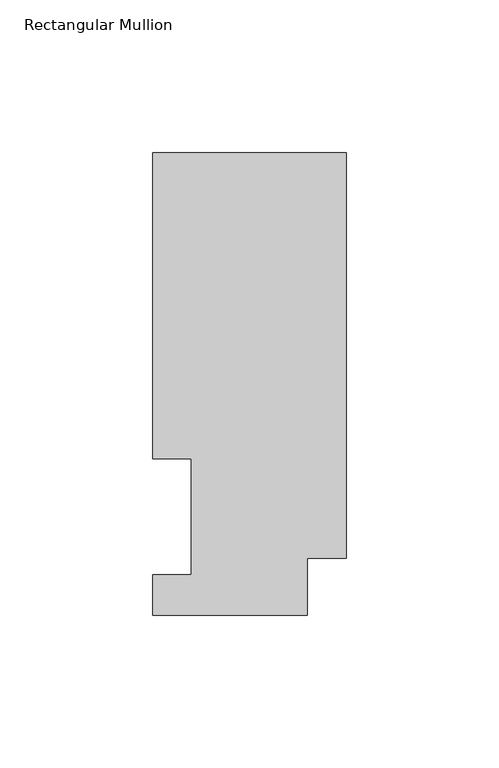
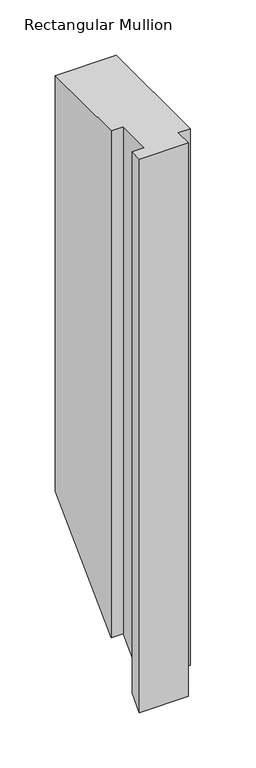
"""IFC4 building model written with IfcOpenShell, lengths in millimetres: member geometry, Rectangular Mullion."""

from ifc_helpers import new_model, si_unit, origin, place, context, project, spatial, faceted_brep, source, transform, mapped, element, save


def rectangular_mullion_9d4d6a90(model_context):
    return source(origin(), model_context, "Body", "Brep", [
        faceted_brep([(0.0, 151.7022937, 0.0), (-63.5, 151.7022937, 0.0), (-63.5, 51.2960938, 0.0), (-50.8, 51.2960938, 0.0), (-50.8, 13.1960938, 0.0), (-63.5, 13.1960938, 0.0), (-63.5, 0.0134937, 0.0), (-12.7, 0.0134937, 0.0), (-12.7, 18.7332937, 0.0), (0.0, 18.7332937, 0.0), (0.0, 151.7022937, -457.8977062), (-63.5, 151.7022937, -457.8977062), (-63.5, 51.2960938, -558.3039062), (-50.8, 51.2960938, -558.3039062), (-50.8, 13.1960938, -596.4039062), (-63.5, 13.1960938, -596.4039062), (-63.5, 0.0134937, -609.5865063), (-12.7, 0.0134937, -609.5865063), (-12.7, 18.7332937, -590.8667062), (0.0, 18.7332937, -590.8667062)], [[[0, 1, 2, 3, 4, 5, 6, 7, 8, 9]], [[1, 0, 10, 11]], [[2, 1, 11, 12]], [[3, 2, 12, 13]], [[4, 3, 13, 14]], [[5, 4, 14, 15]], [[6, 5, 15, 16]], [[7, 6, 16, 17]], [[8, 7, 17, 18]], [[9, 8, 18, 19]], [[0, 9, 19, 10]], [[10, 19, 18, 17, 16, 15, 14, 13, 12, 11]]]),
    ])


if __name__ == "__main__":
    model = new_model("IFC4")
    model_context = context("Model", 3, world=origin())
    ifc_project = project(units=[si_unit("LENGTHUNIT", "METRE", prefix="MILLI")], contexts=[model_context])
    site = spatial("IfcSite", under=ifc_project)
    building = spatial("IfcBuilding", under=site)
    placement = place(None, origin())
    rectangular_mullion_shape = rectangular_mullion_9d4d6a90(model_context)
    element("IfcMember", 1, ObjectType="Rectangular Mullion", at=placement, inside=building, context=model_context, shape_type="MappedRepresentation", body=[
        mapped(rectangular_mullion_shape, transform((0.0, 0.0, 0.0), x_axis=(1.0, 0.0, 0.0), y_axis=(0.0, 1.0, 0.0), z_axis=(0.0, 0.0, 1.0))),
    ])
    save(model, "model.ifc")
